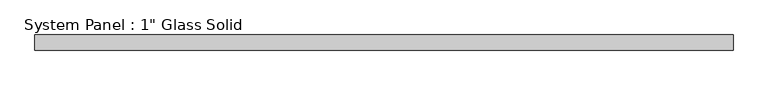
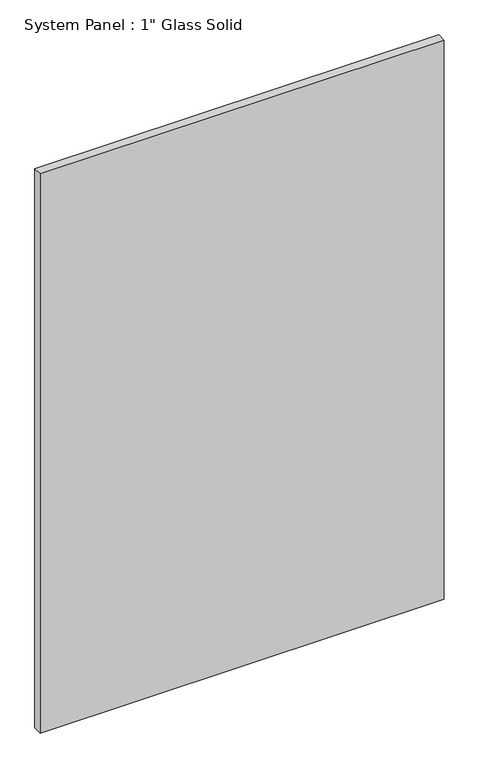
"""IFC4 building model written with IfcOpenShell, lengths in millimetres: plate geometry."""

from ifc_helpers import new_model, si_unit, origin, origin_with_axes, place, context, project, spatial, polyline, outline, extrude, source, transform, mapped, element, save


def plate_81b78d0b(model_context):
    return source(origin(), model_context, "Body", "SweptSolid", [
        extrude(outline(polyline([(570.1496412, -12.7), (-570.1496412, -12.7), (-570.1496412, 12.7), (570.1496412, 12.7), (570.1496412, -12.7)])), origin_with_axes(), (0.0, 0.0, 1.0), 1666.875),
    ])


if __name__ == "__main__":
    model = new_model("IFC4")
    model_context = context("Model", 3, world=origin())
    ifc_project = project(units=[si_unit("LENGTHUNIT", "METRE", prefix="MILLI")], contexts=[model_context])
    site = spatial("IfcSite", under=ifc_project)
    building = spatial("IfcBuilding", under=site)
    placement = place(None, origin())
    plate_shape = plate_81b78d0b(model_context)
    element("IfcPlate", 1, ObjectType="System Panel : 1\" Glass Solid", at=placement, inside=building, context=model_context, shape_type="MappedRepresentation", body=[
        mapped(plate_shape, transform((0.0, 0.0, 0.0), x_axis=(1.0, 0.0, 0.0), y_axis=(0.0, 1.0, 0.0), z_axis=(0.0, 0.0, 1.0))),
    ])
    save(model, "model.ifc")
